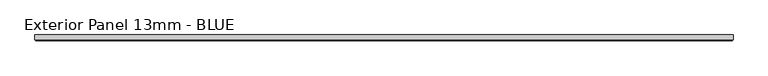
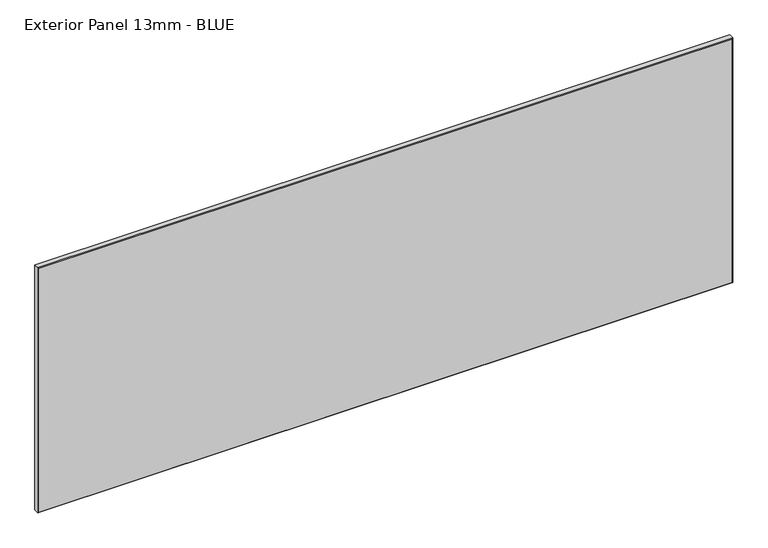
"""IFC4 building model written with IfcOpenShell, lengths in millimetres: proxy geometry, Exterior Panel 13mm - BLUE."""

from ifc_helpers import new_model, si_unit, origin, place, context, project, spatial, faceted_brep, source, transform, mapped, element, save


def exterior_panel_13mm_blue_4836edf6(model_context):
    return source(origin(), model_context, "Body", "Brep", [
        faceted_brep([(1125.5375, 6.35, 571.5), (-406.4, 6.35, 571.5), (-406.4, -4.7625, 571.5), (1125.5375, -4.7625, 571.5), (1125.5375, 6.35, 0.0), (1125.5375, -4.7625, 0.0), (-406.4, -4.7625, 0.0), (-406.4, 6.35, 0.0), (-404.8125, -6.35, 569.9125), (-404.8125, -6.35, 1.5875), (1123.95, -6.35, 1.5875), (1123.95, -6.35, 569.9125)], [[[0, 1, 2, 3]], [[4, 5, 6, 7]], [[1, 0, 4, 7]], [[2, 1, 7, 6]], [[8, 9, 10, 11]], [[0, 3, 5, 4]], [[2, 6, 9, 8]], [[5, 3, 11, 10]], [[3, 2, 8, 11]], [[6, 5, 10, 9]]]),
    ])


if __name__ == "__main__":
    model = new_model("IFC4")
    model_context = context("Model", 3, world=origin())
    ifc_project = project(units=[si_unit("LENGTHUNIT", "METRE", prefix="MILLI")], contexts=[model_context])
    site = spatial("IfcSite", under=ifc_project)
    building = spatial("IfcBuilding", under=site)
    placement = place(None, origin())
    exterior_panel_13mm_blue_shape = exterior_panel_13mm_blue_4836edf6(model_context)
    element("IfcBuildingElementProxy", 1, Name="Exterior Panel 13mm - BLUE", ObjectType="Exterior Panel 13mm - BLUE", at=placement, inside=building, context=model_context, shape_type="MappedRepresentation", body=[
        mapped(exterior_panel_13mm_blue_shape, transform((0.0, 0.0, 0.0), x_axis=(1.0, 0.0, 0.0), y_axis=(0.0, 1.0, 0.0), z_axis=(0.0, 0.0, 1.0))),
    ])
    save(model, "model.ifc")
